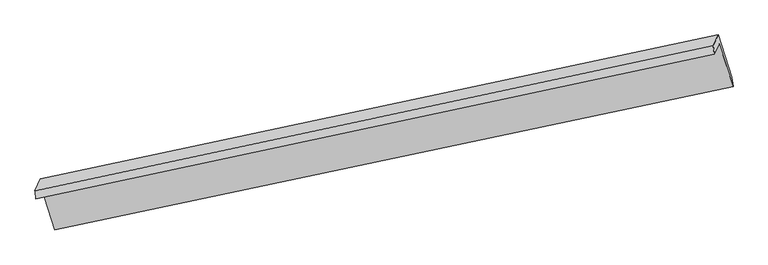
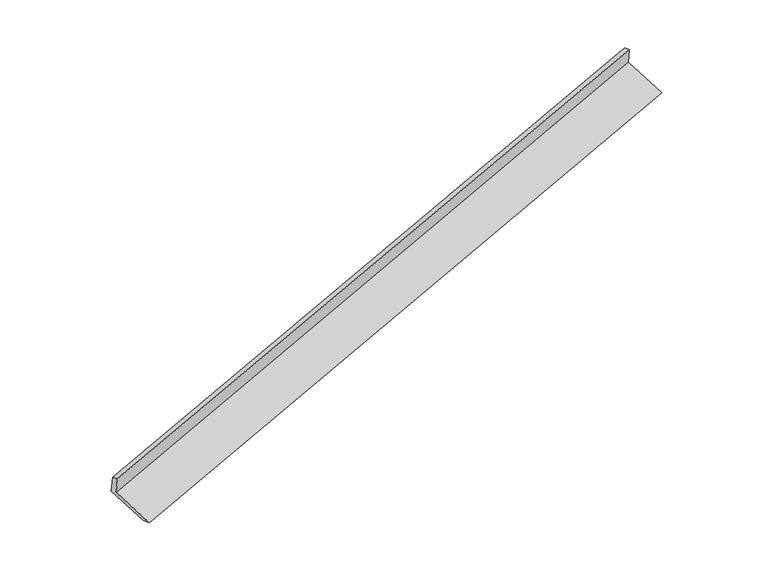
"""IFC4 building model written with IfcOpenShell, lengths in millimetres: proxy geometry."""

from ifc_helpers import new_model, si_unit, frame, origin, place, context, project, spatial, source, transform, mapped, element, save
from ifc_brep_helpers import plane_surface, spline_surface, advanced_brep


def generic_models_61597353(model_context):
    return source(origin(), model_context, "Body", "AdvancedBrep", [
        advanced_brep(
        [(-8455.5495635, -2636.8227169, 679.7696438), (-8371.2162064, -2452.8626761, 265.49766), (2568.7864526, -125.0233067, 3548.5044626), (2491.7695993, -293.0235377, 3926.8354775), (-8470.9512107, -2505.8724741, 637.8114534), (2475.7098344, -160.0534226, 3885.6402509), (-8383.2211291, -2314.5030094, 206.85369), (2556.1234122, 15.3562322, 3490.6234563), (-8168.7202454, -2972.8417842, -41.8197717), (2777.5370262, -664.1988579, 3233.935983), (-8147.8381419, -3138.4469906, 6.5327756), (2795.3390101, -820.3506663, 3285.8593502)],
        [
            (0, 1),
            (1, 2),
            (2, 3),
            (3, 0),
            (4, 0),
            (3, 5),
            (5, 4),
            (6, 4),
            (5, 7),
            (7, 6),
            (8, 6),
            (7, 9),
            (9, 8),
            (10, 8),
            (9, 11),
            (11, 10),
            (1, 10),
            (11, 2),
        ],
        [
            plane_surface(frame((-8413.382885, -2544.8426965, 472.6336519), z_axis=(0.2918068128057364, -0.8947901451598149, -0.33793398782163875), x_axis=(0.1829125959128425, 0.3989952467118838, -0.8985242207963836))),
            spline_surface(1, 1, [[(-8470.9512107, -2505.8724741, 637.8114534), (2475.7098344, -160.0534226, 3885.6402509)], [(-8455.5495635, -2636.8227169, 679.7696438), (2491.7695993, -293.0235377, 3926.8354775)]], [2, 2], [2, 2], [0.0, 1.0], [0.0, 1.0]),
            plane_surface(frame((-8427.0861699, -2410.1877417, 422.3325717), z_axis=(-0.2919886029384109, 0.8947513258588747, 0.33787974284922884), x_axis=(-0.18291259591290263, -0.3989952467119616, 0.8985242207963368))),
            plane_surface(frame((-8275.9706873, -2643.6723968, 82.5169592), z_axis=(0.1845232369264953, 0.39933805937324157, -0.8980424763730176), x_axis=(-0.29155902920851945, 0.8948429988563318, 0.3380078991455565))),
            spline_surface(1, 1, [[(-8147.8381419, -3138.4469906, 6.5327756), (2795.3390101, -820.3506663, 3285.8593502)], [(-8168.7202454, -2972.8417842, -41.8197717), (2777.5370262, -664.1988579, 3233.935983)]], [2, 2], [2, 2], [0.0, 1.0], [0.0, 1.0]),
            plane_surface(frame((-8259.5271741, -2795.6548333, 136.0152178), z_axis=(-0.18452323692651362, -0.39933805937318567, 0.8980424763730389), x_axis=(0.2915590292085042, -0.8948429988563577, -0.33800789914550156))),
            plane_surface(frame((2610.8775558, -341.2155932, 3561.8998301), z_axis=(0.938901653392616, 0.20014694726394103, 0.28000872264545146), x_axis=(-0.29155902920851945, 0.8948429988563318, 0.3380078991455565))),
            plane_surface(frame((-8332.9160828, -2670.2249419, 292.4409085), z_axis=(-0.9389016533927181, -0.20014694726370474, -0.28000872264527754), x_axis=(-0.18291259591284667, -0.39899524671188463, 0.8985242207963824))),
        ],
        [
            (0, [[1, 2, 3, 4]]),
            (1, [[5, -4, 6, 7]]),
            (2, [[8, -7, 9, 10]]),
            (3, [[11, -10, 12, 13]]),
            (4, [[14, -13, 15, 16]]),
            (5, [[17, -16, 18, -2]]),
            (6, [[-12, -9, -6, -3, -18, -15]]),
            (7, [[-1, -5, -8, -11, -14, -17]]),
        ],
    ),
    ])


if __name__ == "__main__":
    model = new_model("IFC4")
    model_context = context("Model", 3, world=origin())
    ifc_project = project(units=[si_unit("LENGTHUNIT", "METRE", prefix="MILLI")], contexts=[model_context])
    site = spatial("IfcSite", under=ifc_project)
    building = spatial("IfcBuilding", under=site)
    placement = place(None, origin())
    generic_models_shape = generic_models_61597353(model_context)
    element("IfcBuildingElementProxy", 1, Name="Generic Models", at=placement, inside=building, context=model_context, shape_type="MappedRepresentation", body=[
        mapped(generic_models_shape, transform((0.0, 0.0, 0.0), x_axis=(1.0, 0.0, 0.0), y_axis=(0.0, 1.0, 0.0), z_axis=(0.0, 0.0, 1.0))),
    ])
    save(model, "model.ifc")
